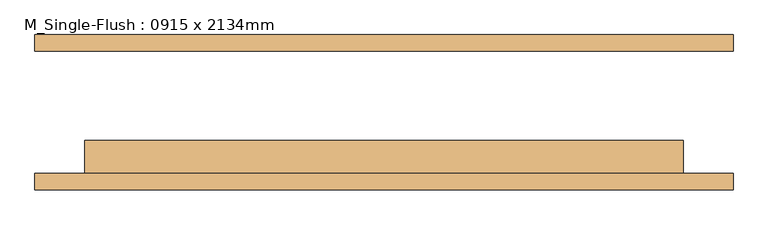
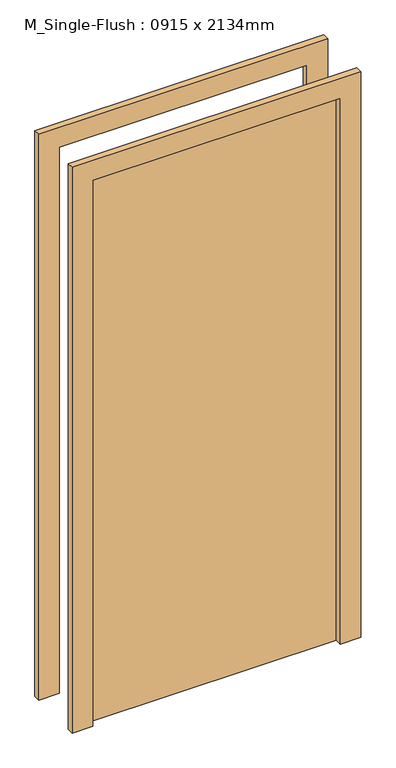
"""IFC4 building model written with IfcOpenShell, lengths in millimetres: door geometry, M_Single-Flush : 0915 x 2134mm."""

from ifc_helpers import new_model, si_unit, frame, origin, origin_with_axes, place, context, project, spatial, polyline, outline, extrude, source, transform, mapped, element, save


def m_single_flush_0915_x_2134mm_ad0162ba(model_context):
    return source(origin(), model_context, "Body", "SweptSolid", [
        extrude(outline(polyline([(2210.0, -533.5), (0.0, -533.5), (0.0, -457.5), (2134.0, -457.5), (2134.0, 457.5), (0.0, 457.5), (0.0, 533.5), (2210.0, 533.5), (2210.0, -533.5)])), frame((0.0, -118.75, 0.0), z_axis=(0.0, 1.0, 0.0), x_axis=(0.0, 0.0, 1.0)), (0.0, 0.0, 1.0), 25.0),
        extrude(outline(polyline([(2210.0, 533.5), (2210.0, -533.5), (0.0, -533.5), (0.0, -457.5), (2134.0, -457.5), (2134.0, 457.5), (0.0, 457.5), (0.0, 533.5), (2210.0, 533.5)])), frame((0.0, 93.75, 0.0), z_axis=(0.0, 1.0, 0.0), x_axis=(0.0, 0.0, 1.0)), (0.0, 0.0, 1.0), 25.0),
        extrude(outline(polyline([(457.5, -42.75), (457.5, -93.75), (-457.5, -93.75), (-457.5, -42.75), (457.5, -42.75)])), origin_with_axes(), (0.0, 0.0, 1.0), 2134.0),
    ])


if __name__ == "__main__":
    model = new_model("IFC4")
    model_context = context("Model", 3, world=origin())
    ifc_project = project(units=[si_unit("LENGTHUNIT", "METRE", prefix="MILLI")], contexts=[model_context])
    site = spatial("IfcSite", under=ifc_project)
    building = spatial("IfcBuilding", under=site)
    placement = place(None, origin())
    m_single_flush_0915_x_2134mm_shape = m_single_flush_0915_x_2134mm_ad0162ba(model_context)
    element("IfcDoor", 1, ObjectType="M_Single-Flush : 0915 x 2134mm", at=placement, inside=building, context=model_context, shape_type="MappedRepresentation", body=[
        mapped(m_single_flush_0915_x_2134mm_shape, transform((0.0, 0.0, 0.0), x_axis=(1.0, 0.0, 0.0), y_axis=(0.0, 1.0, 0.0), z_axis=(0.0, 0.0, 1.0))),
    ])
    save(model, "model.ifc")
